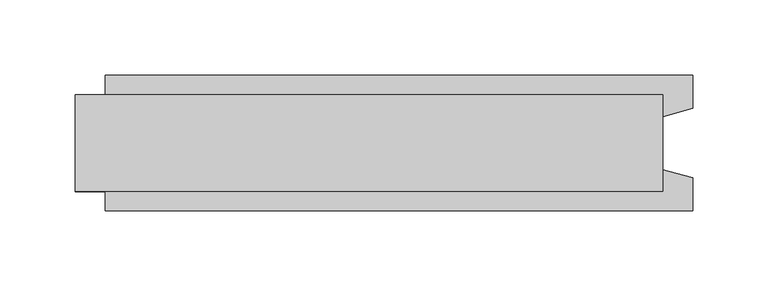
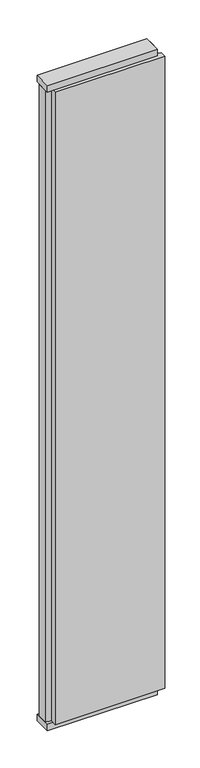
"""IFC4 building model written with IfcOpenShell, lengths in millimetres: plate geometry."""

from ifc_helpers import new_model, si_unit, frame, origin, origin_with_axes, place, context, project, spatial, polyline, outline, extrude, source, transform, mapped, element, save


def plate_07f420aa(model_context):
    return source(origin(), model_context, "Body", "SweptSolid", [
        extrude(outline(polyline([(195.0, 32.0), (195.0, -32.0), (-195.0, -32.0), (-195.0, 32.0), (195.0, 32.0)])), origin_with_axes(), (0.0, 0.0, 1.0), 25.0),
        extrude(outline(polyline([(195.0, 32.0), (195.0, -32.0), (-195.0, -32.0), (-195.0, 32.0), (195.0, 32.0)])), frame((0.0, 0.0, 2402.0), z_axis=(0.0, 0.0, 1.0), x_axis=(1.0, 0.0, 0.0)), (0.0, 0.0, 1.0), 25.0),
        extrude(outline(polyline([(215.0, 45.0), (215.0, 22.9993165), (195.0, 17.6401049), (195.0, -17.6401049), (215.0, -22.9993165), (215.0, -45.0), (-175.0, -45.0), (-175.0, -22.9993165), (-195.0, -17.6401049), (-195.0, 17.6401049), (-175.0, 22.9993165), (-175.0, 45.0), (215.0, 45.0)])), frame((0.0, 0.0, 25.0), z_axis=(0.0, 0.0, 1.0), x_axis=(1.0, 0.0, 0.0)), (0.0, 0.0, 1.0), 2377.0),
    ])


if __name__ == "__main__":
    model = new_model("IFC4")
    model_context = context("Model", 3, world=origin())
    ifc_project = project(units=[si_unit("LENGTHUNIT", "METRE", prefix="MILLI")], contexts=[model_context])
    site = spatial("IfcSite", under=ifc_project)
    building = spatial("IfcBuilding", under=site)
    placement = place(None, origin())
    plate_shape = plate_07f420aa(model_context)
    element("IfcPlate", 1, at=placement, inside=building, context=model_context, shape_type="MappedRepresentation", body=[
        mapped(plate_shape, transform((0.0, 0.0, 0.0), x_axis=(1.0, 0.0, 0.0), y_axis=(0.0, 1.0, 0.0), z_axis=(0.0, 0.0, 1.0))),
    ])
    save(model, "model.ifc")
